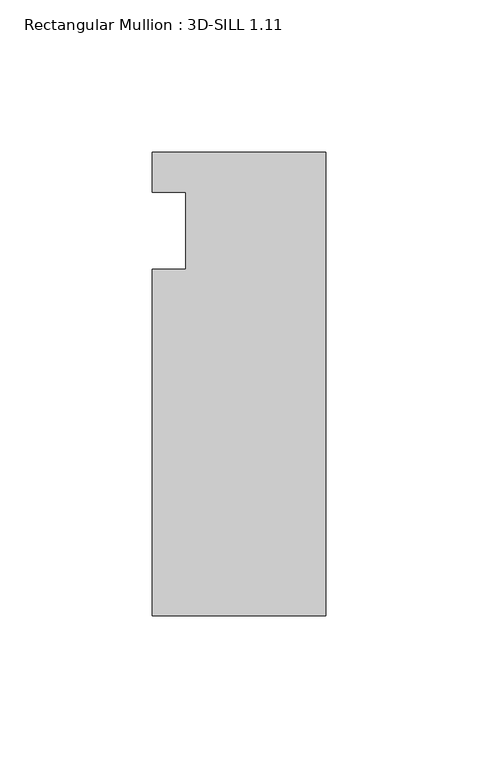
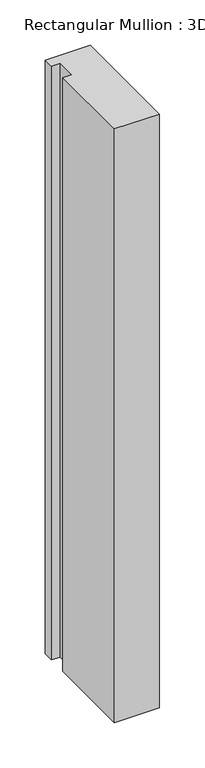
"""IFC4 building model written with IfcOpenShell, lengths in millimetres: member geometry, Rectangular Mullion : 3D-SILL 1.11."""

from ifc_helpers import new_model, si_unit, frame, origin, place, context, project, spatial, polyline, outline, extrude, source, transform, mapped, element, save


def rectangular_mullion_3d_sill_1_11_5295102f(model_context):
    return source(origin(), model_context, "Body", "SweptSolid", [
        extrude(outline(polyline([(-57.15, 76.2), (0.0, 76.2), (0.0, -76.2), (-57.15, -76.2), (-57.15, 37.6047), (-46.0375, 37.6047), (-46.0375, 63.0047), (-57.15, 63.0047), (-57.15, 76.2)])), frame((0.0, 0.0, -798.909382), z_axis=(0.0, 0.0, 1.0), x_axis=(1.0, 0.0, 0.0)), (0.0, 0.0, 1.0), 798.909382),
    ])


if __name__ == "__main__":
    model = new_model("IFC4")
    model_context = context("Model", 3, world=origin())
    ifc_project = project(units=[si_unit("LENGTHUNIT", "METRE", prefix="MILLI")], contexts=[model_context])
    site = spatial("IfcSite", under=ifc_project)
    building = spatial("IfcBuilding", under=site)
    placement = place(None, origin())
    rectangular_mullion_3d_sill_1_11_shape = rectangular_mullion_3d_sill_1_11_5295102f(model_context)
    element("IfcMember", 1, ObjectType="Rectangular Mullion : 3D-SILL 1.11", at=placement, inside=building, context=model_context, shape_type="MappedRepresentation", body=[
        mapped(rectangular_mullion_3d_sill_1_11_shape, transform((0.0, 0.0, 0.0), x_axis=(1.0, 0.0, 0.0), y_axis=(0.0, 1.0, 0.0), z_axis=(0.0, 0.0, 1.0))),
    ])
    save(model, "model.ifc")
